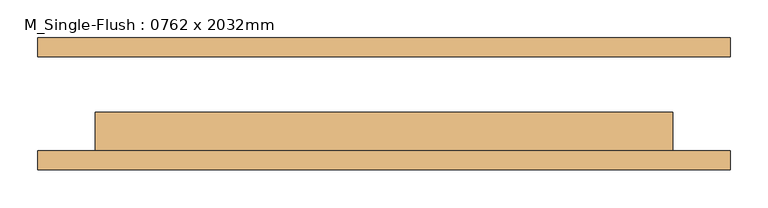
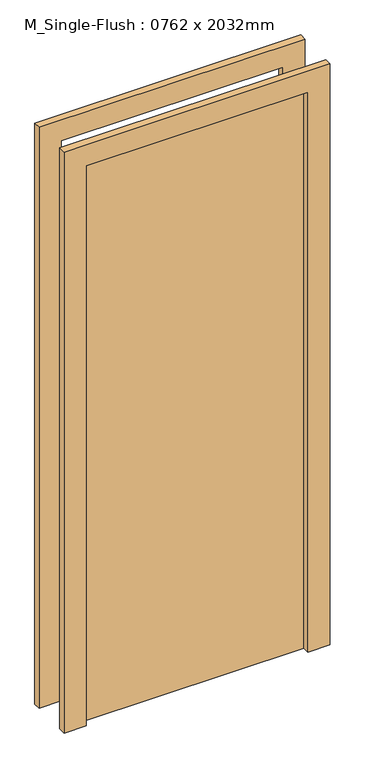
"""IFC4 building model written with IfcOpenShell, lengths in millimetres: door geometry, M_Single-Flush : 0762 x 2032mm."""

import ifcopenshell
import ifcopenshell.guid

model = None  # the IFC model being written
_history = None  # IfcOwnerHistory: only IFC2X3 demands one
_inside = {}  # id of a spatial element -> (the spatial element, [elements in it])
_under = {}  # id of a project, library or spatial element -> (it, [spatial elements below it])
_declared = {}  # id of a project -> (the project, [libraries it declares])
_typed = {}  # id of a type object -> (the type object, [elements of that type])
_made_of = {}  # id of a material, layer set ... -> (it, [elements and type objects made of it])


def new_model(schema):
    """Start an empty IFC model of exactly this schema.

    Asked for "IFC4X3", IfcOpenShell would pick the latest addendum, in which some entities
    have other attributes; the version numbers below select the first issue.
    IFC2X3 requires an IfcOwnerHistory on every rooted entity: one is made here for all.
    """
    global model, _history
    if schema == "IFC4X3":
        model = ifcopenshell.file(schema_version=(4, 3, 0, 0))
    else:
        model = ifcopenshell.file(schema=schema)
    _inside.clear()
    _under.clear()
    _declared.clear()
    _typed.clear()
    _made_of.clear()
    _history = None
    if model.schema == "IFC2X3":
        org = make("IfcOrganization", Name="unknown")
        user = make(
            "IfcPersonAndOrganization",
            ThePerson=make("IfcPerson", FamilyName="unknown"),
            TheOrganization=org,
        )
        app = make(
            "IfcApplication",
            ApplicationDeveloper=org,
            Version="unknown",
            ApplicationFullName="unknown",
            ApplicationIdentifier="unknown",
        )
        _history = make(
            "IfcOwnerHistory",
            OwningUser=user,
            OwningApplication=app,
            ChangeAction="ADDED",
            CreationDate=0,
        )
    return model


def make(cls, **values):
    """One entity of the class cls with the attributes given. An attribute that is None is left unset."""
    return model.create_entity(
        cls, **{name: value for name, value in values.items() if value is not None}
    )


def rooted(cls, **values):
    """An entity with a GlobalId (a new one), such as an element, a storey or a relation."""
    return make(cls, GlobalId=ifcopenshell.guid.new(), OwnerHistory=_history, **values)


def si_unit(unit_type, name, prefix=None):
    """IfcSIUnit, for example si_unit("LENGTHUNIT", "METRE", prefix="MILLI")."""
    return make("IfcSIUnit", UnitType=unit_type, Prefix=prefix, Name=name)


def assignment(units):
    """IfcUnitAssignment: the units of a project."""
    return None if units is None else make("IfcUnitAssignment", Units=units)


def point(xyz):
    """IfcCartesianPoint."""
    return None if xyz is None else make("IfcCartesianPoint", Coordinates=xyz)


def direction(xyz):
    """IfcDirection."""
    return None if xyz is None else make("IfcDirection", DirectionRatios=xyz)


def frame(location, z_axis=None, x_axis=None):
    """IfcAxis2Placement3D, a coordinate frame: its origin and axes. An axis left out is left unset."""
    return make(
        "IfcAxis2Placement3D",
        Location=point(location),
        Axis=direction(z_axis),
        RefDirection=direction(x_axis),
    )


def origin():
    """The frame at (0, 0, 0) with its axes left unset."""
    return frame((0.0, 0.0, 0.0))


def origin_with_axes():
    """The frame at (0, 0, 0) with the z axis (0, 0, 1) and the x axis (1, 0, 0) written out."""
    return frame((0.0, 0.0, 0.0), z_axis=(0.0, 0.0, 1.0), x_axis=(1.0, 0.0, 0.0))


def place(relative_to, where):
    """IfcLocalPlacement: puts the frame where relative to a parent placement (None: the world)."""
    return make(
        "IfcLocalPlacement", PlacementRelTo=relative_to, RelativePlacement=where
    )


def context(
    kind, dimensions, precision=None, world=None, true_north=None, identifier=None
):
    """IfcGeometricRepresentationContext, for example the 3D "Model" context."""
    return make(
        "IfcGeometricRepresentationContext",
        ContextIdentifier=identifier,
        ContextType=kind,
        CoordinateSpaceDimension=dimensions,
        Precision=precision,
        WorldCoordinateSystem=world,
        TrueNorth=true_north,
    )


def project(units=None, contexts=None):
    """IfcProject with its units and contexts."""
    return rooted(
        "IfcProject",
        Name="project",
        RepresentationContexts=contexts,
        UnitsInContext=assignment(units),
    )


def spatial(cls, under=None, at=None, **own):
    """A site, building, storey or space (cls), placed at a placement, below another one or the project."""
    s = rooted(cls, ObjectPlacement=at, **own)
    if under is not None:
        _under.setdefault(under.id(), (under, []))[1].append(s)
    return s


def polyline(points):
    """IfcPolyline through the points."""
    return make("IfcPolyline", Points=[point(p) for p in points])


def outline(outer, holes=None, kind="AREA"):
    """IfcArbitraryClosedProfileDef: a profile drawn as a closed curve; with holes, ...WithVoids."""
    if holes is None:
        return make("IfcArbitraryClosedProfileDef", ProfileType=kind, OuterCurve=outer)
    return make(
        "IfcArbitraryProfileDefWithVoids",
        ProfileType=kind,
        OuterCurve=outer,
        InnerCurves=holes,
    )


def extrude(swept, where, along, depth):
    """IfcExtrudedAreaSolid: the profile swept, set in the frame where, extruded along a direction by depth."""
    return make(
        "IfcExtrudedAreaSolid",
        SweptArea=swept,
        Position=where,
        ExtrudedDirection=direction(along),
        Depth=depth,
    )


def shape(context_of_items, identifier, shape_type, items):
    """IfcShapeRepresentation: the items that make up one representation, for example the "Body"."""
    return make(
        "IfcShapeRepresentation",
        ContextOfItems=context_of_items,
        RepresentationIdentifier=identifier,
        RepresentationType=shape_type,
        Items=items,
    )


def source(mapping_origin, context_of_items, identifier, shape_type, items):
    """IfcRepresentationMap: a shape defined once, which mapped items show again and again."""
    return make(
        "IfcRepresentationMap",
        MappingOrigin=mapping_origin,
        MappedRepresentation=shape(context_of_items, identifier, shape_type, items),
    )


def transform(
    local_origin,
    x_axis=None,
    y_axis=None,
    z_axis=None,
    scale=None,
    scale2=None,
    scale3=None,
    uniform=True,
):
    """IfcCartesianTransformationOperator3D, or its non-uniform kind. x_axis, y_axis, z_axis: its Axis1, 2, 3."""
    if uniform:
        return make(
            "IfcCartesianTransformationOperator3D",
            Axis1=direction(x_axis),
            Axis2=direction(y_axis),
            LocalOrigin=point(local_origin),
            Scale=scale,
            Axis3=direction(z_axis),
        )
    return make(
        "IfcCartesianTransformationOperator3DnonUniform",
        Axis1=direction(x_axis),
        Axis2=direction(y_axis),
        LocalOrigin=point(local_origin),
        Scale=scale,
        Axis3=direction(z_axis),
        Scale2=scale2,
        Scale3=scale3,
    )


def mapped(mapping_source, mapping_target):
    """IfcMappedItem: shows the shape of a source again, moved by a transform."""
    return make(
        "IfcMappedItem", MappingSource=mapping_source, MappingTarget=mapping_target
    )


def made_of(thing, what):
    """Note that an element or type object is made of a material, layer set ...; save() writes the relation."""
    if what is not None:
        _made_of.setdefault(what.id(), (what, []))[1].append(thing)
    return thing


def element(
    cls,
    number,
    at=None,
    inside=None,
    cuts=None,
    type_object=None,
    material=None,
    context=None,
    identifier="Body",
    shape_type=None,
    held_by="IfcProductDefinitionShape",
    body=None,
    shapes=None,
    **own,
):
    """One element of the class cls, such as IfcWall. Its Tag is "e" and its number.

    at: its placement. inside: the storey or other place that contains it. cuts: it is an
    opening in that element (IfcRelVoidsElement). A single representation is given by context,
    identifier, shape_type and body (its items); several are given by shapes. held_by: the class
    of the entity that holds the representations. save() writes the other relations.
    """
    e = rooted(cls, Tag="e%d" % number, ObjectPlacement=at, **own)
    if body is not None:
        shapes = [shape(context, identifier, shape_type, body)]
    if shapes is not None:
        e.Representation = make(held_by, Representations=shapes)
    if inside is not None:
        _inside.setdefault(inside.id(), (inside, []))[1].append(e)
    if cuts is not None:
        rooted(
            "IfcRelVoidsElement", RelatingBuildingElement=cuts, RelatedOpeningElement=e
        )
    if type_object is not None:
        _typed.setdefault(type_object.id(), (type_object, []))[1].append(e)
    return made_of(e, material)


def aggregate(whole, parts):
    """IfcRelAggregates: a whole, such as a stair, and the parts it consists of."""
    return rooted("IfcRelAggregates", RelatingObject=whole, RelatedObjects=parts)


def save(model, path):
    """Write the relations noted so far, then the file.

    IfcRelAggregates (storeys below a building ...), IfcRelContainedInSpatialStructure (elements
    in a storey), IfcRelDefinesByType, IfcRelAssociatesMaterial and IfcRelDeclares: one each for
    every whole, place, type object, material and project.
    """
    for whole, parts in _under.values():
        aggregate(whole, parts)
    for where, things in _inside.values():
        rooted(
            "IfcRelContainedInSpatialStructure",
            RelatedElements=things,
            RelatingStructure=where,
        )
    for kind, things in _typed.values():
        rooted("IfcRelDefinesByType", RelatedObjects=things, RelatingType=kind)
    for what, things in _made_of.values():
        rooted("IfcRelAssociatesMaterial", RelatedObjects=things, RelatingMaterial=what)
    for by, libraries in _declared.values():
        rooted("IfcRelDeclares", RelatingContext=by, RelatedDefinitions=libraries)
    model.write(path)


def m_single_flush_0762_x_2032mm_1c354163(model_context):
    return source(origin(), model_context, "Body", "SweptSolid", [
        extrude(outline(polyline([(2108.0, -457.0), (0.0, -457.0), (0.0, -381.0), (2032.0, -381.0), (2032.0, 381.0), (0.0, 381.0), (0.0, 457.0), (2108.0, 457.0), (2108.0, -457.0)])), frame((0.0, -87.0, 0.0), z_axis=(0.0, 1.0, 0.0), x_axis=(0.0, 0.0, 1.0)), (0.0, 0.0, 1.0), 25.0),
        extrude(outline(polyline([(2108.0, 457.0), (2108.0, -457.0), (0.0, -457.0), (0.0, -381.0), (2032.0, -381.0), (2032.0, 381.0), (0.0, 381.0), (0.0, 457.0), (2108.0, 457.0)])), frame((0.0, 62.0, 0.0), z_axis=(0.0, 1.0, 0.0), x_axis=(0.0, 0.0, 1.0)), (0.0, 0.0, 1.0), 25.0),
        extrude(outline(polyline([(381.0, -11.0), (381.0, -62.0), (-381.0, -62.0), (-381.0, -11.0), (381.0, -11.0)])), origin_with_axes(), (0.0, 0.0, 1.0), 2032.0),
    ])


if __name__ == "__main__":
    model = new_model("IFC4")
    model_context = context("Model", 3, world=origin())
    ifc_project = project(units=[si_unit("LENGTHUNIT", "METRE", prefix="MILLI")], contexts=[model_context])
    site = spatial("IfcSite", under=ifc_project)
    building = spatial("IfcBuilding", under=site)
    placement = place(None, origin())
    m_single_flush_0762_x_2032mm_shape = m_single_flush_0762_x_2032mm_1c354163(model_context)
    element("IfcDoor", 1, ObjectType="M_Single-Flush : 0762 x 2032mm", at=placement, inside=building, context=model_context, shape_type="MappedRepresentation", body=[
        mapped(m_single_flush_0762_x_2032mm_shape, transform((0.0, 0.0, 0.0), x_axis=(1.0, 0.0, 0.0), y_axis=(0.0, 1.0, 0.0), z_axis=(0.0, 0.0, 1.0))),
    ])
    save(model, "model.ifc")
